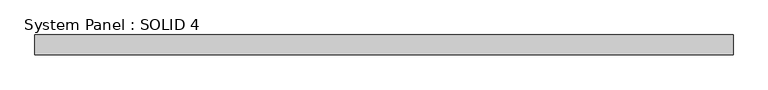
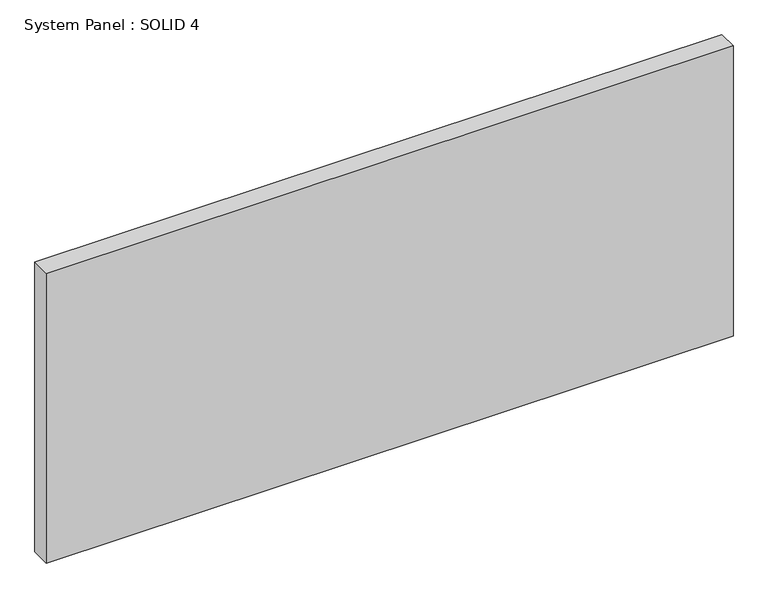
"""IFC4 building model written with IfcOpenShell, lengths in millimetres: plate geometry, System Panel : SOLID 4."""

from ifc_helpers import new_model, si_unit, origin, origin_with_axes, place, context, project, spatial, polyline, outline, extrude, source, transform, mapped, element, save


def system_panel_solid_4_b177e125(model_context):
    return source(origin(), model_context, "Body", "SweptSolid", [
        extrude(outline(polyline([(1422.5, 80.0), (-1422.5, 80.0), (-1422.5, 160.0), (1422.5, 160.0), (1422.5, 80.0)])), origin_with_axes(), (0.0, 0.0, 1.0), 1269.6666667),
    ])


if __name__ == "__main__":
    model = new_model("IFC4")
    model_context = context("Model", 3, world=origin())
    ifc_project = project(units=[si_unit("LENGTHUNIT", "METRE", prefix="MILLI")], contexts=[model_context])
    site = spatial("IfcSite", under=ifc_project)
    building = spatial("IfcBuilding", under=site)
    placement = place(None, origin())
    system_panel_solid_4_shape = system_panel_solid_4_b177e125(model_context)
    element("IfcPlate", 1, ObjectType="System Panel : SOLID 4", at=placement, inside=building, context=model_context, shape_type="MappedRepresentation", body=[
        mapped(system_panel_solid_4_shape, transform((0.0, 0.0, 0.0), x_axis=(1.0, 0.0, 0.0), y_axis=(0.0, 1.0, 0.0), z_axis=(0.0, 0.0, 1.0))),
    ])
    save(model, "model.ifc")
